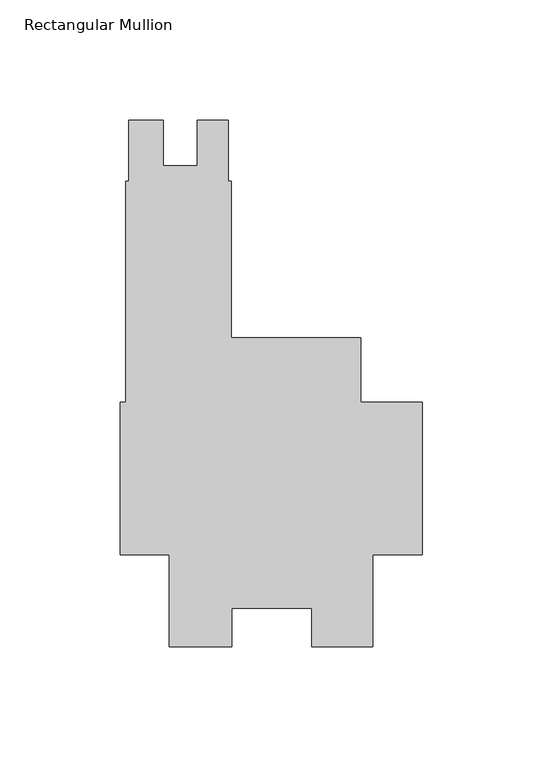
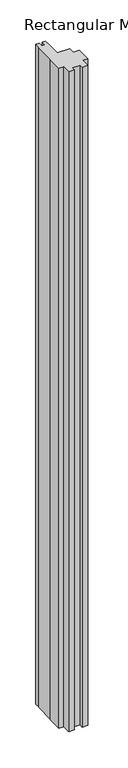
"""IFC4 building model written with IfcOpenShell, lengths in millimetres: member geometry, Rectangular Mullion."""

from ifc_helpers import new_model, si_unit, frame, origin, place, context, project, spatial, polyline, outline, extrude, source, transform, mapped, element, save


def rectangular_mullion_38b3699d(model_context):
    return source(origin(), model_context, "Body", "SweptSolid", [
        extrude(outline(polyline([(-122.1422337, 123.8249999), (-122.1422337, 149.2249999), (-107.88015, 149.2249999), (-107.88015, 130.1877008), (-93.59265, 130.1877008), (-93.59265, 149.2249999), (-80.87995, 149.2249999), (-80.87995, 123.8249999), (-79.60995, 123.8249999), (-79.60995, 58.7247999), (-25.577927, 58.7247999), (-25.577927, 31.7499999), (0.0, 31.7499999), (0.0, -31.7500001), (-20.6735973, -31.7500001), (-20.6735973, -69.8500001), (-46.0042659, -69.8500001), (-46.0042659, -53.9601035), (-79.3959182, -53.9601035), (-79.3959182, -69.8732034), (-105.2447888, -69.8732034), (-105.2447888, -31.7500001), (-125.7808, -31.7500001), (-125.7808, 31.7499999), (-123.39955, 31.7499999), (-123.39955, 123.8249999), (-122.1422337, 123.8249999)])), frame((0.0, 0.0, -3048.0), z_axis=(0.0, 0.0, 1.0), x_axis=(1.0, 0.0, 0.0)), (0.0, 0.0, 1.0), 3048.0),
    ])


if __name__ == "__main__":
    model = new_model("IFC4")
    model_context = context("Model", 3, world=origin())
    ifc_project = project(units=[si_unit("LENGTHUNIT", "METRE", prefix="MILLI")], contexts=[model_context])
    site = spatial("IfcSite", under=ifc_project)
    building = spatial("IfcBuilding", under=site)
    placement = place(None, origin())
    rectangular_mullion_shape = rectangular_mullion_38b3699d(model_context)
    element("IfcMember", 1, ObjectType="Rectangular Mullion", at=placement, inside=building, context=model_context, shape_type="MappedRepresentation", body=[
        mapped(rectangular_mullion_shape, transform((0.0, 0.0, 0.0), x_axis=(1.0, 0.0, 0.0), y_axis=(0.0, 1.0, 0.0), z_axis=(0.0, 0.0, 1.0))),
    ])
    save(model, "model.ifc")
